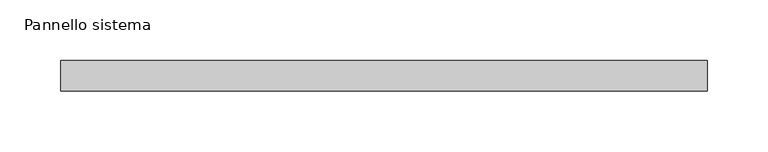
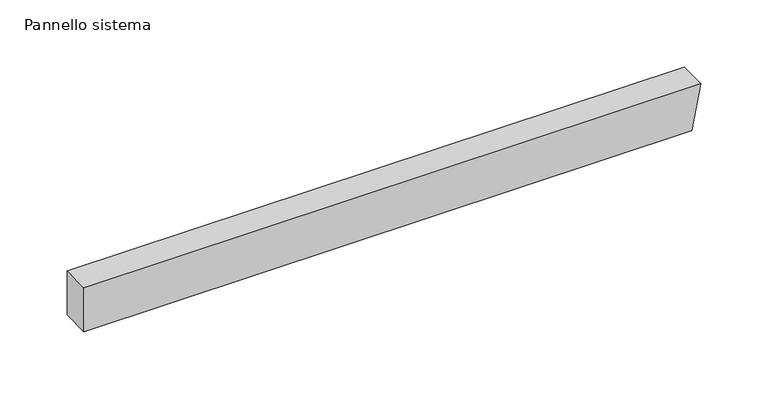
"""IFC4 building model written with IfcOpenShell, lengths in millimetres: plate geometry, Pannello sistema."""

from ifc_helpers import new_model, si_unit, frame, origin, place, context, project, spatial, polyline, outline, extrude, source, transform, mapped, element, save


def pannello_sistema_6746dd4b(model_context):
    return source(origin(), model_context, "Body", "SweptSolid", [
        extrude(outline(polyline([(0.0, -265.5383541), (0.0, 257.7631417), (40.0, 265.5383541), (40.0, -265.5383541), (0.0, -265.5383541)])), frame((0.0, -12.5, 0.0), z_axis=(0.0, 1.0, 0.0), x_axis=(0.0, 0.0, 1.0)), (0.0, 0.0, 1.0), 25.0),
    ])


if __name__ == "__main__":
    model = new_model("IFC4")
    model_context = context("Model", 3, world=origin())
    ifc_project = project(units=[si_unit("LENGTHUNIT", "METRE", prefix="MILLI")], contexts=[model_context])
    site = spatial("IfcSite", under=ifc_project)
    building = spatial("IfcBuilding", under=site)
    placement = place(None, origin())
    pannello_sistema_shape = pannello_sistema_6746dd4b(model_context)
    element("IfcPlate", 1, ObjectType="Pannello sistema", at=placement, inside=building, context=model_context, shape_type="MappedRepresentation", body=[
        mapped(pannello_sistema_shape, transform((0.0, 0.0, 0.0), x_axis=(1.0, 0.0, 0.0), y_axis=(0.0, 1.0, 0.0), z_axis=(0.0, 0.0, 1.0))),
    ])
    save(model, "model.ifc")
